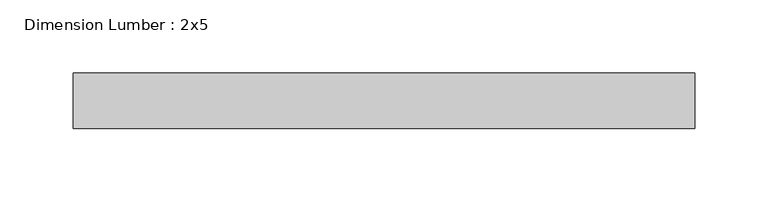
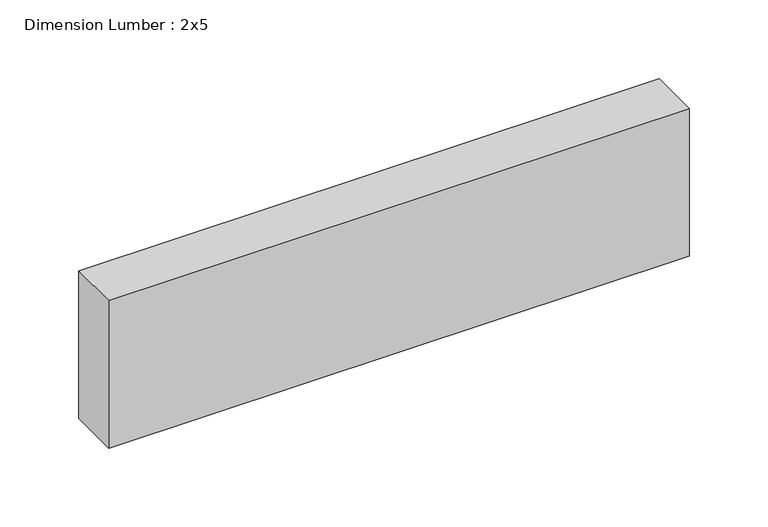
"""IFC4 building model written with IfcOpenShell, lengths in millimetres: beam geometry, Dimension Lumber : 2x5."""

from ifc_helpers import new_model, si_unit, frame, origin, place, context, project, spatial, polyline, outline, extrude, source, transform, mapped, element, save


def dimension_lumber_2x5_1db82af4(model_context):
    return source(origin(), model_context, "Body", "SweptSolid", [
        extrude(outline(polyline([(212.3340849, 19.05), (212.3340849, -19.05), (-212.3340849, -19.05), (-212.3340849, 19.05), (212.3340849, 19.05)])), frame((0.0, 0.0, -57.15), z_axis=(0.0, 0.0, 1.0), x_axis=(1.0, 0.0, 0.0)), (0.0, 0.0, 1.0), 114.3),
    ])


if __name__ == "__main__":
    model = new_model("IFC4")
    model_context = context("Model", 3, world=origin())
    ifc_project = project(units=[si_unit("LENGTHUNIT", "METRE", prefix="MILLI")], contexts=[model_context])
    site = spatial("IfcSite", under=ifc_project)
    building = spatial("IfcBuilding", under=site)
    placement = place(None, origin())
    dimension_lumber_2x5_shape = dimension_lumber_2x5_1db82af4(model_context)
    element("IfcBeam", 1, ObjectType="Dimension Lumber : 2x5", at=placement, inside=building, context=model_context, shape_type="MappedRepresentation", body=[
        mapped(dimension_lumber_2x5_shape, transform((0.0, 0.0, 0.0), x_axis=(1.0, 0.0, 0.0), y_axis=(0.0, 1.0, 0.0), z_axis=(0.0, 0.0, 1.0))),
    ])
    save(model, "model.ifc")
